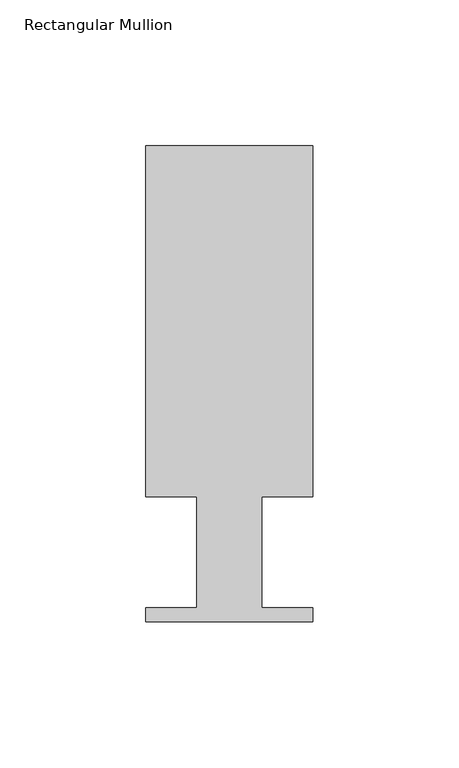
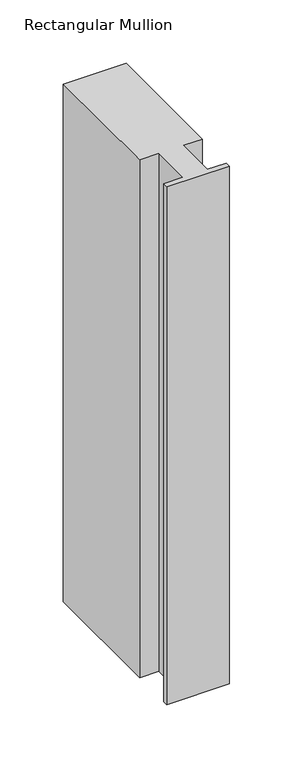
"""IFC4 building model written with IfcOpenShell, lengths in millimetres: member geometry, Rectangular Mullion."""

from ifc_helpers import new_model, si_unit, frame, origin, place, context, project, spatial, polyline, outline, extrude, source, transform, mapped, element, save


def rectangular_mullion_58069fad(model_context):
    return source(origin(), model_context, "Body", "SweptSolid", [
        extrude(outline(polyline([(0.0, 151.892), (0.0, 31.75), (-17.4752, 31.75), (-17.4752, -6.35), (0.0, -6.35), (0.0, -11.176), (-57.15, -11.176), (-57.15, -6.35), (-39.6875, -6.35), (-39.6875, 31.75), (-57.15, 31.75), (-57.15, 151.892), (0.0, 151.892)])), frame((0.0, 0.0, -498.602), z_axis=(0.0, 0.0, 1.0), x_axis=(1.0, 0.0, 0.0)), (0.0, 0.0, 1.0), 498.602),
    ])


if __name__ == "__main__":
    model = new_model("IFC4")
    model_context = context("Model", 3, world=origin())
    ifc_project = project(units=[si_unit("LENGTHUNIT", "METRE", prefix="MILLI")], contexts=[model_context])
    site = spatial("IfcSite", under=ifc_project)
    building = spatial("IfcBuilding", under=site)
    placement = place(None, origin())
    rectangular_mullion_shape = rectangular_mullion_58069fad(model_context)
    element("IfcMember", 1, ObjectType="Rectangular Mullion", at=placement, inside=building, context=model_context, shape_type="MappedRepresentation", body=[
        mapped(rectangular_mullion_shape, transform((0.0, 0.0, 0.0), x_axis=(1.0, 0.0, 0.0), y_axis=(0.0, 1.0, 0.0), z_axis=(0.0, 0.0, 1.0))),
    ])
    save(model, "model.ifc")
